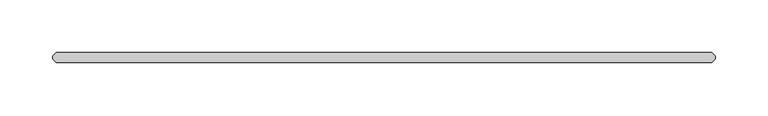
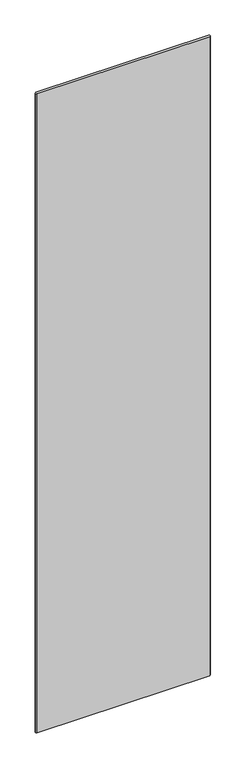
"""IFC4 building model written with IfcOpenShell, lengths in millimetres: plate geometry."""

from ifc_helpers import new_model, si_unit, origin, origin_with_axes, place, context, project, spatial, polyline, outline, extrude, source, transform, mapped, element, save


def plate_8ab2c762(model_context):
    return source(origin(), model_context, "Body", "SweptSolid", [
        extrude(outline(polyline([(310.753125, -4.7625), (-310.753125, -4.7625), (-313.928125, -1.5875), (-313.928125, 1.5875), (-310.753125, 4.7625), (310.753125, 4.7625), (313.928125, 1.5875), (313.928125, -1.5875), (310.753125, -4.7625)])), origin_with_axes(), (0.0, 0.0, 1.0), 2427.1914267),
    ])


if __name__ == "__main__":
    model = new_model("IFC4")
    model_context = context("Model", 3, world=origin())
    ifc_project = project(units=[si_unit("LENGTHUNIT", "METRE", prefix="MILLI")], contexts=[model_context])
    site = spatial("IfcSite", under=ifc_project)
    building = spatial("IfcBuilding", under=site)
    placement = place(None, origin())
    plate_shape = plate_8ab2c762(model_context)
    element("IfcPlate", 1, at=placement, inside=building, context=model_context, shape_type="MappedRepresentation", body=[
        mapped(plate_shape, transform((0.0, 0.0, 0.0), x_axis=(1.0, 0.0, 0.0), y_axis=(0.0, 1.0, 0.0), z_axis=(0.0, 0.0, 1.0))),
    ])
    save(model, "model.ifc")
